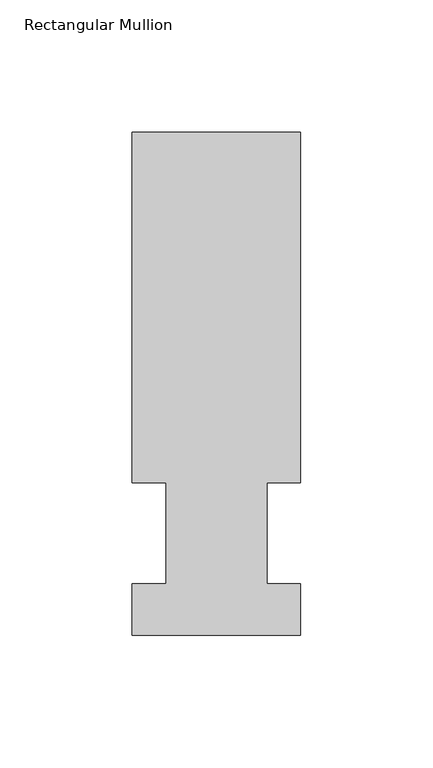
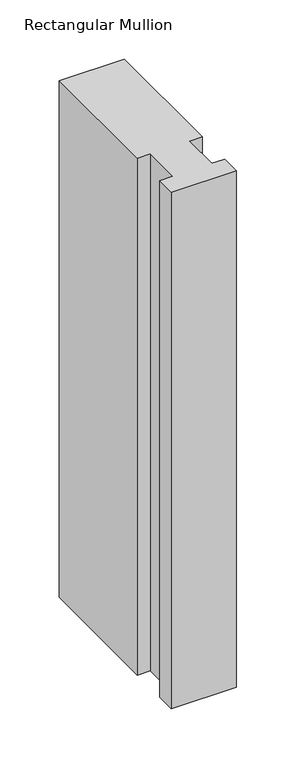
"""IFC4 building model written with IfcOpenShell, lengths in millimetres: member geometry, Rectangular Mullion."""

import ifcopenshell
import ifcopenshell.guid

model = None  # the IFC model being written
_history = None  # IfcOwnerHistory: only IFC2X3 demands one
_inside = {}  # id of a spatial element -> (the spatial element, [elements in it])
_under = {}  # id of a project, library or spatial element -> (it, [spatial elements below it])
_declared = {}  # id of a project -> (the project, [libraries it declares])
_typed = {}  # id of a type object -> (the type object, [elements of that type])
_made_of = {}  # id of a material, layer set ... -> (it, [elements and type objects made of it])


def new_model(schema):
    """Start an empty IFC model of exactly this schema.

    Asked for "IFC4X3", IfcOpenShell would pick the latest addendum, in which some entities
    have other attributes; the version numbers below select the first issue.
    IFC2X3 requires an IfcOwnerHistory on every rooted entity: one is made here for all.
    """
    global model, _history
    if schema == "IFC4X3":
        model = ifcopenshell.file(schema_version=(4, 3, 0, 0))
    else:
        model = ifcopenshell.file(schema=schema)
    _inside.clear()
    _under.clear()
    _declared.clear()
    _typed.clear()
    _made_of.clear()
    _history = None
    if model.schema == "IFC2X3":
        org = make("IfcOrganization", Name="unknown")
        user = make(
            "IfcPersonAndOrganization",
            ThePerson=make("IfcPerson", FamilyName="unknown"),
            TheOrganization=org,
        )
        app = make(
            "IfcApplication",
            ApplicationDeveloper=org,
            Version="unknown",
            ApplicationFullName="unknown",
            ApplicationIdentifier="unknown",
        )
        _history = make(
            "IfcOwnerHistory",
            OwningUser=user,
            OwningApplication=app,
            ChangeAction="ADDED",
            CreationDate=0,
        )
    return model


def make(cls, **values):
    """One entity of the class cls with the attributes given. An attribute that is None is left unset."""
    return model.create_entity(
        cls, **{name: value for name, value in values.items() if value is not None}
    )


def rooted(cls, **values):
    """An entity with a GlobalId (a new one), such as an element, a storey or a relation."""
    return make(cls, GlobalId=ifcopenshell.guid.new(), OwnerHistory=_history, **values)


def si_unit(unit_type, name, prefix=None):
    """IfcSIUnit, for example si_unit("LENGTHUNIT", "METRE", prefix="MILLI")."""
    return make("IfcSIUnit", UnitType=unit_type, Prefix=prefix, Name=name)


def assignment(units):
    """IfcUnitAssignment: the units of a project."""
    return None if units is None else make("IfcUnitAssignment", Units=units)


def point(xyz):
    """IfcCartesianPoint."""
    return None if xyz is None else make("IfcCartesianPoint", Coordinates=xyz)


def direction(xyz):
    """IfcDirection."""
    return None if xyz is None else make("IfcDirection", DirectionRatios=xyz)


def frame(location, z_axis=None, x_axis=None):
    """IfcAxis2Placement3D, a coordinate frame: its origin and axes. An axis left out is left unset."""
    return make(
        "IfcAxis2Placement3D",
        Location=point(location),
        Axis=direction(z_axis),
        RefDirection=direction(x_axis),
    )


def origin():
    """The frame at (0, 0, 0) with its axes left unset."""
    return frame((0.0, 0.0, 0.0))


def place(relative_to, where):
    """IfcLocalPlacement: puts the frame where relative to a parent placement (None: the world)."""
    return make(
        "IfcLocalPlacement", PlacementRelTo=relative_to, RelativePlacement=where
    )


def context(
    kind, dimensions, precision=None, world=None, true_north=None, identifier=None
):
    """IfcGeometricRepresentationContext, for example the 3D "Model" context."""
    return make(
        "IfcGeometricRepresentationContext",
        ContextIdentifier=identifier,
        ContextType=kind,
        CoordinateSpaceDimension=dimensions,
        Precision=precision,
        WorldCoordinateSystem=world,
        TrueNorth=true_north,
    )


def project(units=None, contexts=None):
    """IfcProject with its units and contexts."""
    return rooted(
        "IfcProject",
        Name="project",
        RepresentationContexts=contexts,
        UnitsInContext=assignment(units),
    )


def spatial(cls, under=None, at=None, **own):
    """A site, building, storey or space (cls), placed at a placement, below another one or the project."""
    s = rooted(cls, ObjectPlacement=at, **own)
    if under is not None:
        _under.setdefault(under.id(), (under, []))[1].append(s)
    return s


def polyline(points):
    """IfcPolyline through the points."""
    return make("IfcPolyline", Points=[point(p) for p in points])


def outline(outer, holes=None, kind="AREA"):
    """IfcArbitraryClosedProfileDef: a profile drawn as a closed curve; with holes, ...WithVoids."""
    if holes is None:
        return make("IfcArbitraryClosedProfileDef", ProfileType=kind, OuterCurve=outer)
    return make(
        "IfcArbitraryProfileDefWithVoids",
        ProfileType=kind,
        OuterCurve=outer,
        InnerCurves=holes,
    )


def extrude(swept, where, along, depth):
    """IfcExtrudedAreaSolid: the profile swept, set in the frame where, extruded along a direction by depth."""
    return make(
        "IfcExtrudedAreaSolid",
        SweptArea=swept,
        Position=where,
        ExtrudedDirection=direction(along),
        Depth=depth,
    )


def shape(context_of_items, identifier, shape_type, items):
    """IfcShapeRepresentation: the items that make up one representation, for example the "Body"."""
    return make(
        "IfcShapeRepresentation",
        ContextOfItems=context_of_items,
        RepresentationIdentifier=identifier,
        RepresentationType=shape_type,
        Items=items,
    )


def source(mapping_origin, context_of_items, identifier, shape_type, items):
    """IfcRepresentationMap: a shape defined once, which mapped items show again and again."""
    return make(
        "IfcRepresentationMap",
        MappingOrigin=mapping_origin,
        MappedRepresentation=shape(context_of_items, identifier, shape_type, items),
    )


def transform(
    local_origin,
    x_axis=None,
    y_axis=None,
    z_axis=None,
    scale=None,
    scale2=None,
    scale3=None,
    uniform=True,
):
    """IfcCartesianTransformationOperator3D, or its non-uniform kind. x_axis, y_axis, z_axis: its Axis1, 2, 3."""
    if uniform:
        return make(
            "IfcCartesianTransformationOperator3D",
            Axis1=direction(x_axis),
            Axis2=direction(y_axis),
            LocalOrigin=point(local_origin),
            Scale=scale,
            Axis3=direction(z_axis),
        )
    return make(
        "IfcCartesianTransformationOperator3DnonUniform",
        Axis1=direction(x_axis),
        Axis2=direction(y_axis),
        LocalOrigin=point(local_origin),
        Scale=scale,
        Axis3=direction(z_axis),
        Scale2=scale2,
        Scale3=scale3,
    )


def mapped(mapping_source, mapping_target):
    """IfcMappedItem: shows the shape of a source again, moved by a transform."""
    return make(
        "IfcMappedItem", MappingSource=mapping_source, MappingTarget=mapping_target
    )


def made_of(thing, what):
    """Note that an element or type object is made of a material, layer set ...; save() writes the relation."""
    if what is not None:
        _made_of.setdefault(what.id(), (what, []))[1].append(thing)
    return thing


def element(
    cls,
    number,
    at=None,
    inside=None,
    cuts=None,
    type_object=None,
    material=None,
    context=None,
    identifier="Body",
    shape_type=None,
    held_by="IfcProductDefinitionShape",
    body=None,
    shapes=None,
    **own,
):
    """One element of the class cls, such as IfcWall. Its Tag is "e" and its number.

    at: its placement. inside: the storey or other place that contains it. cuts: it is an
    opening in that element (IfcRelVoidsElement). A single representation is given by context,
    identifier, shape_type and body (its items); several are given by shapes. held_by: the class
    of the entity that holds the representations. save() writes the other relations.
    """
    e = rooted(cls, Tag="e%d" % number, ObjectPlacement=at, **own)
    if body is not None:
        shapes = [shape(context, identifier, shape_type, body)]
    if shapes is not None:
        e.Representation = make(held_by, Representations=shapes)
    if inside is not None:
        _inside.setdefault(inside.id(), (inside, []))[1].append(e)
    if cuts is not None:
        rooted(
            "IfcRelVoidsElement", RelatingBuildingElement=cuts, RelatedOpeningElement=e
        )
    if type_object is not None:
        _typed.setdefault(type_object.id(), (type_object, []))[1].append(e)
    return made_of(e, material)


def aggregate(whole, parts):
    """IfcRelAggregates: a whole, such as a stair, and the parts it consists of."""
    return rooted("IfcRelAggregates", RelatingObject=whole, RelatedObjects=parts)


def save(model, path):
    """Write the relations noted so far, then the file.

    IfcRelAggregates (storeys below a building ...), IfcRelContainedInSpatialStructure (elements
    in a storey), IfcRelDefinesByType, IfcRelAssociatesMaterial and IfcRelDeclares: one each for
    every whole, place, type object, material and project.
    """
    for whole, parts in _under.values():
        aggregate(whole, parts)
    for where, things in _inside.values():
        rooted(
            "IfcRelContainedInSpatialStructure",
            RelatedElements=things,
            RelatingStructure=where,
        )
    for kind, things in _typed.values():
        rooted("IfcRelDefinesByType", RelatedObjects=things, RelatingType=kind)
    for what, things in _made_of.values():
        rooted("IfcRelAssociatesMaterial", RelatedObjects=things, RelatingMaterial=what)
    for by, libraries in _declared.values():
        rooted("IfcRelDeclares", RelatingContext=by, RelatedDefinitions=libraries)
    model.write(path)


def rectangular_mullion_8a50db23(model_context):
    return source(origin(), model_context, "Body", "SweptSolid", [
        extrude(outline(polyline([(-63.5, 189.8022937), (0.0, 189.8022937), (0.0, 57.6460937), (-12.6873, 57.6460937), (-12.6873, 19.5460937), (1e-07, 19.5460937), (1e-07, 0.0134937), (-63.4999999, 0.0134937), (-63.4999999, 19.5460937), (-50.7999999, 19.5460937), (-50.7999999, 57.6460937), (-63.5, 57.6460937), (-63.5, 189.8022937)])), frame((0.0, 0.0, -533.4), z_axis=(0.0, 0.0, 1.0), x_axis=(1.0, 0.0, 0.0)), (0.0, 0.0, 1.0), 533.4),
    ])


if __name__ == "__main__":
    model = new_model("IFC4")
    model_context = context("Model", 3, world=origin())
    ifc_project = project(units=[si_unit("LENGTHUNIT", "METRE", prefix="MILLI")], contexts=[model_context])
    site = spatial("IfcSite", under=ifc_project)
    building = spatial("IfcBuilding", under=site)
    placement = place(None, origin())
    rectangular_mullion_shape = rectangular_mullion_8a50db23(model_context)
    element("IfcMember", 1, ObjectType="Rectangular Mullion", at=placement, inside=building, context=model_context, shape_type="MappedRepresentation", body=[
        mapped(rectangular_mullion_shape, transform((0.0, 0.0, 0.0), x_axis=(1.0, 0.0, 0.0), y_axis=(0.0, 1.0, 0.0), z_axis=(0.0, 0.0, 1.0))),
    ])
    save(model, "model.ifc")
